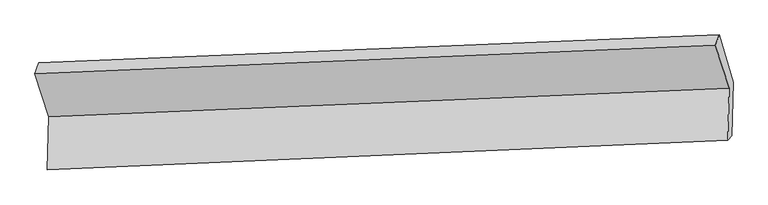
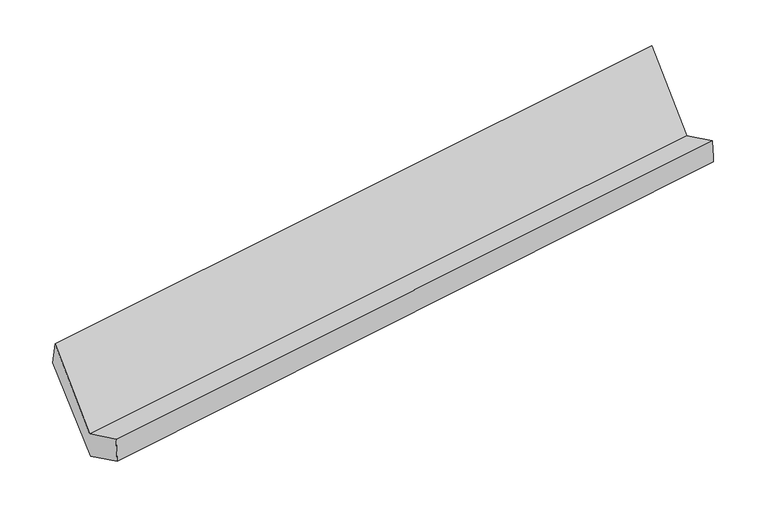
"""IFC4 building model written with IfcOpenShell, lengths in millimetres: proxy geometry."""

from ifc_helpers import new_model, si_unit, frame, origin, place, context, project, spatial, source, transform, mapped, element, save
from ifc_brep_helpers import plane_surface, spline_surface, advanced_brep


def generic_models_879e81b2(model_context):
    return source(origin(), model_context, "Body", "AdvancedBrep", [
        advanced_brep(
        [(-5175.6238536, -1604.6327012, 1450.2985402), (-5185.7615324, -1971.5247314, 1633.0931466), (-513.5401136, -1766.7347336, 2280.8200054), (-503.6496758, -1408.7905869, 2102.483454), (-5157.5296913, -1936.226692, 1422.9237298), (-486.9974114, -1735.9398704, 2083.9497695), (-5147.3920125, -1569.3346618, 1240.1291233), (-476.8597326, -1369.0478402, 1901.1551631), (-5244.4348196, -1234.7433437, 1824.4137178), (-571.0453226, -1044.3078452, 2468.2367521), (-5270.6855872, -1311.6011591, 2033.178058), (-598.7114094, -1115.7590448, 2685.3629718)],
        [
            (0, 1),
            (1, 2),
            (2, 3),
            (3, 0),
            (1, 4),
            (4, 5),
            (5, 2),
            (4, 6),
            (6, 7),
            (7, 5),
            (6, 8),
            (8, 9),
            (9, 7),
            (8, 10),
            (10, 11),
            (11, 9),
            (10, 0),
            (3, 11),
        ],
        [
            plane_surface(frame((-5180.692693, -1788.0787163, 1541.6958434), z_axis=(-0.14209421275735212, 0.4445595720260314, 0.8844071582822588), x_axis=(-0.02472410436238684, -0.8947883433718932, 0.44580549483969006))),
            spline_surface(1, 1, [[(-5185.7615324, -1971.5247314, 1633.0931466), (-513.5401136, -1766.7347336, 2280.8200054)], [(-5157.5296913, -1936.226692, 1422.9237298), (-486.9974114, -1735.9398704, 2083.9497695)]], [2, 2], [2, 2], [0.0, 1.0], [0.0, 1.0]),
            plane_surface(frame((-5152.4608519, -1752.7806769, 1331.5264266), z_axis=(0.14418979164643875, -0.4444707179856562, -0.884112597375624), x_axis=(0.02472410436238585, 0.8947883433718931, -0.44580549483969034))),
            plane_surface(frame((-5195.9134161, -1402.0390028, 1532.2714206), z_axis=(0.03242758583817103, 0.8696424156153502, -0.4926159971411879), x_axis=(-0.14265492991225662, 0.4918561451721393, 0.8589104164161316))),
            spline_surface(1, 1, [[(-5244.4348196, -1234.7433437, 1824.4137178), (-571.0453226, -1044.3078452, 2468.2367521)], [(-5270.6855872, -1311.6011591, 2033.178058), (-598.7114094, -1115.7590448, 2685.3629718)]], [2, 2], [2, 2], [0.0, 1.0], [0.0, 1.0]),
            plane_surface(frame((-5223.1547204, -1458.1169302, 1741.7382991), z_axis=(-0.024724104362342854, -0.8947883433718784, 0.445805494839722), x_axis=(0.14418979164642956, -0.4444707179856818, -0.8841125973756124))),
            plane_surface(frame((-525.1339442, -1406.7633202, 2253.6680193), z_axis=(0.9892411347333064, 0.042421709290203585, 0.14000848521592485), x_axis=(-0.12015738713804959, -0.31032178525526943, 0.9430072067127268))),
            plane_surface(frame((-5196.9045828, -1604.6772149, 1600.6727193), z_axis=(-0.9892411347333053, -0.042421709290200005, -0.1400084852159343), x_axis=(-0.14418979164643614, 0.44447071798569193, 0.8841125973756063))),
        ],
        [
            (0, [[1, 2, 3, 4]]),
            (1, [[5, 6, 7, -2]]),
            (2, [[8, 9, 10, -6]]),
            (3, [[11, 12, 13, -9]]),
            (4, [[14, 15, 16, -12]]),
            (5, [[17, -4, 18, -15]]),
            (6, [[-16, -18, -3, -7, -10, -13]]),
            (7, [[-17, -14, -11, -8, -5, -1]]),
        ],
    ),
    ])


if __name__ == "__main__":
    model = new_model("IFC4")
    model_context = context("Model", 3, world=origin())
    ifc_project = project(units=[si_unit("LENGTHUNIT", "METRE", prefix="MILLI")], contexts=[model_context])
    site = spatial("IfcSite", under=ifc_project)
    building = spatial("IfcBuilding", under=site)
    placement = place(None, origin())
    generic_models_shape = generic_models_879e81b2(model_context)
    element("IfcBuildingElementProxy", 1, Name="Generic Models", at=placement, inside=building, context=model_context, shape_type="MappedRepresentation", body=[
        mapped(generic_models_shape, transform((0.0, 0.0, 0.0), x_axis=(1.0, 0.0, 0.0), y_axis=(0.0, 1.0, 0.0), z_axis=(0.0, 0.0, 1.0))),
    ])
    save(model, "model.ifc")
